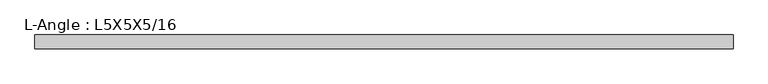
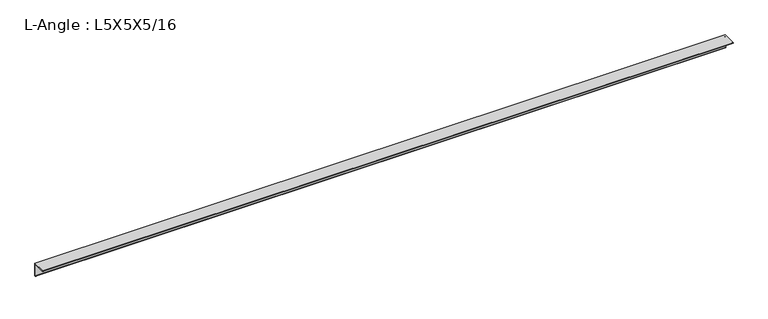
"""IFC4 building model written with IfcOpenShell, lengths in millimetres: beam geometry, L-Angle : L5X5X5/16."""

from ifc_helpers import new_model, si_unit, point, frame, frame_2d, origin, place, context, project, spatial, polyline, circle_curve, trimmed, segment, composite_curve, outline, extrude, source, transform, mapped, element, save


def l_angle_l5x5x5_16_051f530c(model_context):
    return source(origin(), model_context, "Body", "SweptSolid", [
        extrude(outline(composite_curve([segment(polyline([(34.3296875, 34.3296875), (34.3296875, -92.6703125)]), True, "CONTINUOUS"), segment(trimmed(circle_curve(frame_2d((34.3296875, -84.7328125)), 7.9375), [point((34.3296875, -92.6703125))], [point((26.3921875, -84.7328125))], False, "CARTESIAN"), True, "CONTINUOUS"), segment(polyline([(26.3921875, -84.7328125), (26.3921875, 18.4546875)]), True, "CONTINUOUS"), segment(trimmed(circle_curve(frame_2d((18.4546875, 18.4546875)), 7.9375), [point((26.3921875, 18.4546875))], [point((18.4546875, 26.3921875))], True, "CARTESIAN"), True, "CONTINUOUS"), segment(polyline([(18.4546875, 26.3921875), (-84.7328125, 26.3921875)]), True, "CONTINUOUS"), segment(trimmed(circle_curve(frame_2d((-84.7328125, 34.3296875)), 7.9375), [point((-84.7328125, 26.3921875))], [point((-92.6703125, 34.3296875))], False, "CARTESIAN"), True, "CONTINUOUS"), segment(polyline([(-92.6703125, 34.3296875), (34.3296875, 34.3296875)]), True, "CONTINUOUS")], self_intersect=False)), frame((-3209.3296875, 0.0, 0.0), z_axis=(1.0, 0.0, 0.0), x_axis=(0.0, 1.0, 0.0)), (0.0, 0.0, 1.0), 6418.659375),
    ])


if __name__ == "__main__":
    model = new_model("IFC4")
    model_context = context("Model", 3, world=origin())
    ifc_project = project(units=[si_unit("LENGTHUNIT", "METRE", prefix="MILLI")], contexts=[model_context])
    site = spatial("IfcSite", under=ifc_project)
    building = spatial("IfcBuilding", under=site)
    placement = place(None, origin())
    l_angle_l5x5x5_16_shape = l_angle_l5x5x5_16_051f530c(model_context)
    element("IfcBeam", 1, ObjectType="L-Angle : L5X5X5/16", at=placement, inside=building, context=model_context, shape_type="MappedRepresentation", body=[
        mapped(l_angle_l5x5x5_16_shape, transform((0.0, 0.0, 0.0), x_axis=(1.0, 0.0, 0.0), y_axis=(0.0, 1.0, 0.0), z_axis=(0.0, 0.0, 1.0))),
    ])
    save(model, "model.ifc")
